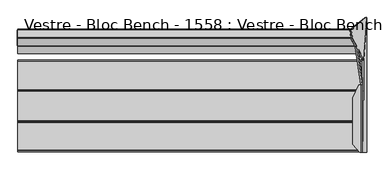
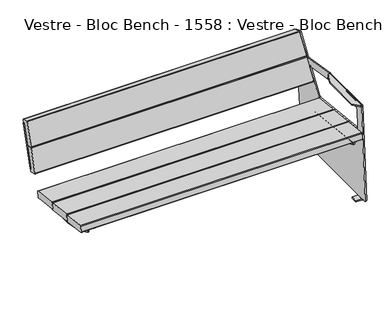
"""IFC4 building model written with IfcOpenShell, lengths in millimetres: furniture geometry, Vestre - Bloc Bench - 1558 : Vestre - Bloc Bench - 1558."""

from ifc_helpers import new_model, si_unit, point, frame, frame_2d, origin, place, context, project, spatial, polyline, circle_curve, ellipse_curve, trimmed, segment, composite_curve, outline, extrude, source, transform, mapped, element, save
from ifc_brep_helpers import plane_surface, cylinder_surface, revolved_surface, advanced_brep


def vestre_bloc_bench_1558_vestre_bloc_bench_1558_f0d6379f(model_context):
    return source(origin(), model_context, "Body", "SolidModel", [
        extrude(outline(composite_curve([segment(polyline([(0.0030441, 0.0), (264.0004656, 0.0), (264.0004655, -51.9653374)]), True, "CONTINUOUS"), segment(trimmed(circle_curve(frame_2d((256.0004655, -51.9653374)), 8.0), [point((264.0004655, -51.9653374))], [point((256.0004655, -59.9653374))], False, "CARTESIAN"), True, "CONTINUOUS"), segment(polyline([(256.0004655, -59.9653374), (6.750797, -59.9653374)]), True, "CONTINUOUS"), segment(trimmed(circle_curve(frame_2d((7.9053145, -52.0490827)), 8.0), [point((6.750797, -59.9653374))], [point((-0.0946714, -52.0340593))], False, "CARTESIAN"), True, "CONTINUOUS"), segment(polyline([(-0.0946714, -52.0340593), (0.0030441, 0.0)]), True, "CONTINUOUS")], self_intersect=False)), frame((-861.1553087, 204.7677117, 503.5739385), z_axis=(-0.0013631459484884229, -0.9642258427672697, 0.2650786033856215), x_axis=(0.0, 0.265078849666105, 0.9642267386147796)), (0.0, 0.0, 1.0), 8.5816086),
        advanced_brep(
        [(859.6028254, -318.9270883, 412.6183739), (817.6175866, -318.9270883, 412.6183739), (813.6175866, -319.360624, 408.6419375), (813.6175866, -319.8564605, 404.0940726), (813.6175866, -321.0984876, 392.7020678), (819.6131806, -321.0984876, 392.7020678), (819.6131806, -319.8223825, 404.4066392), (820.5642613, -319.7193007, 405.3521172), (859.6028254, -319.7193007, 405.3521172), (859.6028254, 98.7332944, 367.0824469), (859.6028254, 97.941082, 359.8161902), (820.5642613, 97.941082, 359.8161902), (819.6131806, 97.8380001, 358.8707122), (819.6131806, 96.5595156, 347.1443157), (813.6175866, 96.5595156, 347.1443157), (813.6175866, 97.8039221, 358.5581456), (813.6175866, 98.2997586, 363.1060105), (817.6175866, 98.7332944, 367.0824469)],
        [
            (0, 1),
            (1, 2, circle_curve(frame((817.6175866, -319.360624, 408.6419375), z_axis=(0.0, -0.9941091089617909, 0.10838394474826071), x_axis=(0.0, -0.10838394474826071, -0.9941091089617909)), 4.0)),
            (2, 3),
            (3, 4),
            (4, 5),
            (5, 6),
            (6, 7, circle_curve(frame((820.5642613, -319.8223825, 404.4066392), z_axis=(0.0, 0.9941091089617909, -0.10838394474826071), x_axis=(0.0, -0.10838394474826071, -0.9941091089617909)), 0.9510807)),
            (7, 8),
            (8, 0),
            (9, 10),
            (10, 11),
            (11, 12, circle_curve(frame((820.5642613, 97.8380001, 358.8707122), z_axis=(0.0, -0.9941091089617909, 0.10838394474826071), x_axis=(0.0, -0.10838394474826071, -0.9941091089617909)), 0.9510807)),
            (12, 13),
            (13, 14),
            (14, 15),
            (15, 16),
            (16, 17, circle_curve(frame((817.6175866, 98.2997586, 363.1060105), z_axis=(0.0, 0.9941091089617909, -0.10838394474826071), x_axis=(0.0, -0.10838394474826071, -0.9941091089617909)), 4.0)),
            (17, 9),
            (8, 10),
            (9, 0),
            (7, 11),
            (6, 12),
            (5, 13, circle_curve(frame((819.6131806, -59.7670647, 851.2475639), z_axis=(1.0, 0.0, 0.0), x_axis=(0.0, -1.0, 0.0)), 527.7860216)),
            (3, 15),
            (14, 4, circle_curve(frame((813.6175866, -59.7670647, 851.2475639), z_axis=(-1.0, 0.0, 0.0), x_axis=(0.0, -1.0, 0.0)), 527.7860216)),
            (2, 16),
            (1, 17),
        ],
        [
            plane_surface(frame((813.6175929, -318.9270883, 412.6183739), z_axis=(0.0, -0.9941091089617909, 0.10838394474826071), x_axis=(-1.0, 0.0, 0.0))),
            plane_surface(frame((813.6175929, 98.7332944, 367.0824469), z_axis=(0.0, 0.9941091089617909, -0.10838394474826071), x_axis=(1.0, 0.0, 0.0))),
            plane_surface(frame((859.6028254, -319.7193007, 405.3521172), z_axis=(1.0000000000000002, 0.0, 0.0), x_axis=(0.0, 0.994109108961791, -0.10838394474826066))),
            plane_surface(frame((820.5642613, -319.7193007, 405.3521172), z_axis=(0.0, -0.10838394474826066, -0.994109108961791), x_axis=(0.0, 0.994109108961791, -0.10838394474826066))),
            revolved_surface(polyline([(820.5642613, 97.73491824228601, 357.9252342105562), (820.5642613, -319.92546445485533, 403.46116123677587)]), (820.5642613, 97.8380001, 358.8707122), (0.0, 0.9941091089617909, -0.10838394474826071)),
            plane_surface(frame((819.6131806, -320.2027771, 400.9176199), z_axis=(1.0000000000000002, 0.0, 0.0), x_axis=(0.0, 0.994109108961791, -0.10838394474826066))),
            plane_surface(frame((813.6175866, -319.8564605, 404.0940726), z_axis=(-1.0000000000000002, 0.0, 0.0), x_axis=(0.0, 0.994109108961791, -0.10838394474826064))),
            plane_surface(frame((813.6175866, -319.360624, 408.6419375), z_axis=(-1.0000000000000002, 0.0, 0.0), x_axis=(0.0, 0.994109108961791, -0.10838394474826066))),
            cylinder_surface(frame((817.6175866, 98.2997586, 363.1060105), z_axis=(0.0, -0.9941091089617909, 0.10838394474826071), x_axis=(0.0, -0.10838394474826071, -0.9941091089617909)), 4.0),
            plane_surface(frame((859.6028254, -318.9270883, 412.6183739), z_axis=(0.0, 0.10838394474826066, 0.994109108961791), x_axis=(0.0, 0.994109108961791, -0.10838394474826066))),
            cylinder_surface(frame((819.6131806, -59.7670647, 851.2475639), z_axis=(-1.0, 0.0, 0.0), x_axis=(0.0, -1.0, 0.0)), 527.7860216),
        ],
        [
            (0, [[1, 2, 3, 4, 5, 6, 7, 8, 9]]),
            (1, [[10, 11, 12, 13, 14, 15, 16, 17, 18]]),
            (2, [[-9, 19, -10, 20]]),
            (3, [[-8, 21, -11, -19]]),
            (4, [[-7, 22, -12, -21]]),
            (5, [[-13, -22, -6, 23]]),
            (6, [[-4, 24, -15, 25]]),
            (7, [[-3, 26, -16, -24]]),
            (8, [[-2, 27, -17, -26]]),
            (9, [[-1, -20, -18, -27]]),
            (10, [[-25, -14, -23, -5]]),
        ],
    ),
        advanced_brep(
        [(766.5577736, -318.9102447, 412.772865), (766.5577736, -319.7193007, 405.3521172), (805.5963377, -319.7193007, 405.3521172), (806.5474184, -319.8223825, 404.4066392), (806.5474184, -321.0984876, 392.7020678), (812.5430123, -321.0984876, 392.7020678), (812.5430123, -319.8564605, 404.0940726), (812.5430123, -319.3437805, 408.7964286), (808.5430123, -318.9102447, 412.772865), (766.5577736, 98.750138, 367.236938), (808.5430123, 98.750138, 367.236938), (812.5430123, 98.3166022, 363.2605016), (812.5430123, 97.8039221, 358.5581456), (812.5430123, 96.5595156, 347.1443157), (806.5474184, 96.5595156, 347.1443157), (806.5474184, 97.8380001, 358.8707122), (805.5963377, 97.941082, 359.8161902), (766.5577736, 97.941082, 359.8161902)],
        [
            (0, 1),
            (1, 2),
            (2, 3, circle_curve(frame((805.5963377, -319.8223825, 404.4066392), z_axis=(0.0, 0.9941091089617909, -0.10838394474826071), x_axis=(0.0, -0.10838394474826071, -0.9941091089617909)), 0.9510807)),
            (3, 4),
            (4, 5),
            (5, 6),
            (6, 7),
            (7, 8, circle_curve(frame((808.5430123, -319.3437805, 408.7964286), z_axis=(0.0, -0.9941091089617909, 0.10838394474826071), x_axis=(0.0, -0.10838394474826071, -0.9941091089617909)), 4.0)),
            (8, 0),
            (9, 10),
            (10, 11, circle_curve(frame((808.5430123, 98.3166022, 363.2605016), z_axis=(0.0, 0.9941091089617909, -0.10838394474826071), x_axis=(0.0, -0.10838394474826071, -0.9941091089617909)), 4.0)),
            (11, 12),
            (12, 13),
            (13, 14),
            (14, 15),
            (15, 16, circle_curve(frame((805.5963377, 97.8380001, 358.8707122), z_axis=(0.0, -0.9941091089617909, 0.10838394474826071), x_axis=(0.0, -0.10838394474826071, -0.9941091089617909)), 0.9510807)),
            (16, 17),
            (17, 9),
            (0, 9),
            (17, 1),
            (16, 2),
            (15, 3),
            (14, 4, circle_curve(frame((806.5474184, -59.7670647, 851.2475639), z_axis=(-1.0, 0.0, 0.0), x_axis=(0.0, -1.0, 0.0)), 527.7860216)),
            (5, 13, circle_curve(frame((812.5430123, -59.7670647, 851.2475639), z_axis=(1.0, 0.0, 0.0), x_axis=(0.0, -1.0, 0.0)), 527.7860216)),
            (12, 6),
            (11, 7),
            (10, 8),
        ],
        [
            plane_surface(frame((766.5577736, -319.8423819, 404.223203), z_axis=(0.0, -0.9941091089617909, 0.10838394474826071), x_axis=(0.0, -0.10838394474826071, -0.9941091089617909))),
            plane_surface(frame((766.5577736, 97.8180007, 358.6872759), z_axis=(0.0, 0.9941091089617909, -0.10838394474826071), x_axis=(0.0, 0.10838394474826071, 0.9941091089617909))),
            plane_surface(frame((766.5577736, -318.9102447, 412.772865), z_axis=(-1.0000000000000002, 0.0, 0.0), x_axis=(0.0, 0.994109108961791, -0.10838394474826066))),
            plane_surface(frame((766.5577736, -319.7193007, 405.3521172), z_axis=(0.0, -0.10838394474826069, -0.994109108961791), x_axis=(0.0, 0.994109108961791, -0.10838394474826069))),
            revolved_surface(polyline([(805.5963377, 97.73491824228601, 357.9252342105562), (805.5963377, -319.92546445485533, 403.46116123677587)]), (805.5963377, 97.8380001, 358.8707122), (0.0, 0.9941091089617909, -0.10838394474826071)),
            plane_surface(frame((806.5474184, -319.8223825, 404.4066392), z_axis=(-1.0000000000000002, 0.0, 0.0), x_axis=(0.0, 0.994109108961791, -0.10838394474826064))),
            plane_surface(frame((812.5430123, -320.2027771, 400.9176199), z_axis=(1.0000000000000002, 0.0, 0.0), x_axis=(0.0, 0.994109108961791, -0.10838394474826066))),
            plane_surface(frame((812.5430123, -319.8564605, 404.0940726), z_axis=(1.0000000000000002, 0.0, 0.0), x_axis=(0.0, 0.994109108961791, -0.10838394474826066))),
            cylinder_surface(frame((808.5430123, 98.3166022, 363.2605016), z_axis=(0.0, -0.9941091089617909, 0.10838394474826071), x_axis=(0.0, -0.10838394474826071, -0.9941091089617909)), 4.0),
            plane_surface(frame((808.5430123, -318.9102447, 412.772865), z_axis=(0.0, 0.10838394474826066, 0.994109108961791), x_axis=(0.0, 0.994109108961791, -0.10838394474826066))),
            cylinder_surface(frame((806.5474184, -59.7670647, 851.2475639), z_axis=(1.0, 0.0, 0.0), x_axis=(0.0, -1.0, 0.0)), 527.7860216),
        ],
        [
            (0, [[1, 2, 3, 4, 5, 6, 7, 8, 9]]),
            (1, [[10, 11, 12, 13, 14, 15, 16, 17, 18]]),
            (2, [[-1, 19, -18, 20]]),
            (3, [[-2, -20, -17, 21]]),
            (4, [[-3, -21, -16, 22]]),
            (5, [[-4, -22, -15, 23]]),
            (6, [[-6, 24, -13, 25]]),
            (7, [[-7, -25, -12, 26]]),
            (8, [[-8, -26, -11, 27]]),
            (9, [[-9, -27, -10, -19]]),
            (10, [[-24, -5, -23, -14]]),
        ],
    ),
        advanced_brep(
        [(-766.5577736, -318.8898286, 412.9601231), (-808.5430123, -318.8898286, 412.9601231), (-812.5430123, -319.3233644, 408.9836866), (-812.5430123, -319.8564605, 404.0940726), (-812.5430123, -321.0984876, 392.7020678), (-806.5474184, -321.0984876, 392.7020678), (-806.5474184, -319.8223825, 404.4066392), (-805.5963377, -319.7193007, 405.3521172), (-766.5577736, -319.7193007, 405.3521172), (-766.5577736, 98.770554, 367.4241961), (-766.5577736, 97.941082, 359.8161902), (-805.5963377, 97.941082, 359.8161902), (-806.5474184, 97.8380001, 358.8707122), (-806.5474184, 96.5595156, 347.1443157), (-812.5430123, 96.5595156, 347.1443157), (-812.5430123, 97.8039221, 358.5581456), (-812.5430123, 98.3370182, 363.4477596), (-808.5430123, 98.770554, 367.4241961)],
        [
            (0, 1),
            (1, 2, circle_curve(frame((-808.5430123, -319.3233644, 408.9836866), z_axis=(0.0, -0.9941091089617909, 0.10838394474826071), x_axis=(0.0, -0.10838394474826071, -0.9941091089617909)), 4.0)),
            (2, 3),
            (3, 4),
            (4, 5),
            (5, 6),
            (6, 7, circle_curve(frame((-805.5963377, -319.8223825, 404.4066392), z_axis=(0.0, 0.9941091089617909, -0.10838394474826071), x_axis=(0.0, -0.10838394474826071, -0.9941091089617909)), 0.9510807)),
            (7, 8),
            (8, 0),
            (9, 10),
            (10, 11),
            (11, 12, circle_curve(frame((-805.5963377, 97.8380001, 358.8707122), z_axis=(0.0, -0.9941091089617909, 0.10838394474826071), x_axis=(0.0, -0.10838394474826071, -0.9941091089617909)), 0.9510807)),
            (12, 13),
            (13, 14),
            (14, 15),
            (15, 16),
            (16, 17, circle_curve(frame((-808.5430123, 98.3370182, 363.4477596), z_axis=(0.0, 0.9941091089617909, -0.10838394474826071), x_axis=(0.0, -0.10838394474826071, -0.9941091089617909)), 4.0)),
            (17, 9),
            (8, 10),
            (9, 0),
            (7, 11),
            (6, 12),
            (5, 13, circle_curve(frame((-806.5474184, -59.7670647, 851.2475639), z_axis=(1.0, 0.0, 0.0), x_axis=(0.0, -1.0, 0.0)), 527.7860216)),
            (3, 15),
            (14, 4, circle_curve(frame((-812.5430123, -59.7670647, 851.2475639), z_axis=(-1.0, 0.0, 0.0), x_axis=(0.0, -1.0, 0.0)), 527.7860216)),
            (2, 16),
            (1, 17),
        ],
        [
            plane_surface(frame((-812.5430123, -318.8898286, 412.9601231), z_axis=(0.0, -0.9941091089617909, 0.10838394474826071), x_axis=(-1.0, 0.0, 0.0))),
            plane_surface(frame((-812.5430123, 98.770554, 367.4241961), z_axis=(0.0, 0.9941091089617909, -0.10838394474826071), x_axis=(1.0, 0.0, 0.0))),
            plane_surface(frame((-766.5577736, -319.7193007, 405.3521172), z_axis=(1.0000000000000002, 0.0, 0.0), x_axis=(0.0, 0.994109108961791, -0.10838394474826069))),
            plane_surface(frame((-805.5963377, -319.7193007, 405.3521172), z_axis=(0.0, -0.10838394474826069, -0.994109108961791), x_axis=(0.0, 0.994109108961791, -0.10838394474826069))),
            revolved_surface(polyline([(-805.5963377, 97.73491824228601, 357.9252342105562), (-805.5963377, -319.92546445485533, 403.46116123677587)]), (-805.5963377, 97.8380001, 358.8707122), (0.0, 0.9941091089617909, -0.10838394474826071)),
            plane_surface(frame((-806.5474184, -320.2027771, 400.9176199), z_axis=(1.0000000000000002, 0.0, 0.0), x_axis=(0.0, 0.994109108961791, -0.10838394474826066))),
            plane_surface(frame((-812.5430123, -319.8564605, 404.0940726), z_axis=(-1.0000000000000002, 0.0, 0.0), x_axis=(0.0, 0.994109108961791, -0.10838394474826066))),
            plane_surface(frame((-812.5430123, -319.3233644, 408.9836866), z_axis=(-1.0000000000000002, 0.0, 0.0), x_axis=(0.0, 0.994109108961791, -0.10838394474826066))),
            cylinder_surface(frame((-808.5430123, 98.3370182, 363.4477596), z_axis=(0.0, -0.9941091089617909, 0.10838394474826071), x_axis=(0.0, -0.10838394474826071, -0.9941091089617909)), 4.0),
            plane_surface(frame((-766.5577736, -318.8898286, 412.9601231), z_axis=(0.0, 0.10838394474826066, 0.994109108961791), x_axis=(0.0, 0.994109108961791, -0.10838394474826066))),
            cylinder_surface(frame((-806.5474184, -59.7670647, 851.2475639), z_axis=(-1.0, 0.0, 0.0), x_axis=(0.0, -1.0, 0.0)), 527.7860216),
        ],
        [
            (0, [[1, 2, 3, 4, 5, 6, 7, 8, 9]]),
            (1, [[10, 11, 12, 13, 14, 15, 16, 17, 18]]),
            (2, [[-9, 19, -10, 20]]),
            (3, [[-8, 21, -11, -19]]),
            (4, [[-7, 22, -12, -21]]),
            (5, [[-13, -22, -6, 23]]),
            (6, [[-4, 24, -15, 25]]),
            (7, [[-3, 26, -16, -24]]),
            (8, [[-2, 27, -17, -26]]),
            (9, [[-1, -20, -18, -27]]),
            (10, [[-25, -14, -23, -5]]),
        ],
    ),
        advanced_brep(
        [(859.6494877, -336.3224978, 634.6042367), (853.6895812, -336.3224978, 640.3596516), (851.4436279, -336.3224978, 640.3596516), (846.5946295, -336.3224978, 640.3596516), (846.5946295, -336.3224978, 632.2382321), (850.2766357, -336.3224978, 632.2382321), (851.7778593, -336.3224978, 630.7885173), (873.3168867, -336.3224978, 13.9914716), (881.3120133, -336.3224978, 14.2706676), (851.7778593, 0.0, 630.7885173), (850.2766357, 0.0, 632.2382321), (842.6377771, 0.0, 632.2382321), (842.6377771, 0.0, 640.3596516), (851.4436279, 0.0, 640.3596516), (853.6895812, 0.0, 640.3596516), (859.6494877, 0.0, 634.6042367), (859.8164077, 0.0, 629.8242748), (851.8212811, 0.0, 629.5450788), (812.6404131, -298.6125202, 632.2382321), (812.6404131, -64.9029098, 632.2382321), (812.6404131, -298.6125202, 640.3596516), (812.6404131, -64.9029098, 640.3596516), (881.4516113, -332.3224978, 10.2731042), (881.4516113, -303.3438949, 10.2731042), (881.4516113, -263.3438949, 10.2731042), (881.4516113, 263.3438949, 10.2731042), (881.4516113, 303.3438949, 10.2731042), (881.4516113, 333.3438949, 10.2731042), (881.4138659, 336.0793859, 11.3539925), (867.5075955, 124.5938136, 409.5774734), (865.9556261, -281.1025506, 454.0200604), (865.8167736, -284.6669706, 457.9962761), (861.3419594, -284.6668873, 586.1381898), (861.2022765, -280.671368, 590.1381847), (861.1901816, 28.5190326, 590.4845362), (859.8164077, 7.626776, 629.8242748), (851.8212811, 7.626776, 629.5450788), (853.1853111, 28.3708474, 590.4843702), (853.1974001, -280.671368, 590.1381847), (853.337083, -284.6668873, 586.1381898), (857.8118973, -284.6669706, 457.9962761), (857.9507498, -281.1025506, 454.0200604), (859.5021169, 124.4363813, 409.5947195), (873.4187392, 336.0793859, 11.0747965), (873.4564847, 333.3438949, 9.9939083), (873.4564847, 303.3438949, 9.9939083), (873.4886988, 303.3438949, 9.0714168), (873.4886988, 263.3438949, 9.0714168), (873.4564847, 263.3438949, 9.9939083), (873.4564847, -263.3438949, 9.9939083), (873.4886988, -263.3438949, 9.0714168), (873.4886988, -303.3438949, 9.0714168), (873.4564847, -303.3438949, 9.9939083), (873.4564847, -332.3224978, 9.9939083), (872.4540437, -303.3438949, 8.0), (835.810356, -303.3438949, 8.0), (835.810356, -303.3438949, 0.0), (873.5140122, -303.3438949, 0.0), (881.4516113, -303.3438949, 8.2703475), (872.4540437, -263.3438949, 8.0), (881.4516113, -263.3438949, 8.2703475), (873.5140122, -263.3438949, 0.0), (835.810356, -263.3438949, 0.0), (835.810356, -263.3438949, 8.0), (872.4540437, 303.3438949, 8.0), (881.4516113, 303.3438949, 8.2703475), (873.5140122, 303.3438949, 0.0), (835.810356, 303.3438949, 0.0), (835.810356, 303.3438949, 8.0), (872.4540437, 263.3438949, 8.0), (835.810356, 263.3438949, 8.0), (835.810356, 263.3438949, 0.0), (873.5140122, 263.3438949, 0.0), (881.4516113, 263.3438949, 8.2703475)],
        [
            (0, 1, circle_curve(frame((853.6895812, -336.3224978, 634.3961122), z_axis=(0.0, -1.0, 0.0), x_axis=(-1.0, 0.0, 0.0)), 5.9635394)),
            (1, 2),
            (2, 3),
            (3, 4),
            (4, 5),
            (5, 6, circle_curve(frame((850.2766357, -336.3224978, 630.7360934), z_axis=(0.0, 1.0, 0.0), x_axis=(-1.0, 0.0, 0.0)), 1.5021387)),
            (6, 7),
            (7, 8),
            (8, 0),
            (9, 10, circle_curve(frame((850.2766357, 0.0, 630.7360934), z_axis=(0.0, -1.0, 0.0), x_axis=(-1.0, 0.0, 0.0)), 1.5021387)),
            (10, 11),
            (11, 12),
            (12, 13),
            (13, 14),
            (14, 15, circle_curve(frame((853.6895812, 0.0, 634.3961122), z_axis=(0.0, 1.0, 0.0), x_axis=(-1.0, 0.0, 0.0)), 5.9635394)),
            (15, 16),
            (16, 17),
            (17, 9),
            (10, 5),
            (4, 18),
            (18, 19),
            (19, 11),
            (18, 20),
            (20, 21),
            (21, 19),
            (2, 13),
            (12, 21),
            (20, 3),
            (1, 14),
            (15, 0),
            (8, 22, circle_curve(frame((881.3120133, -332.3224978, 14.2706676), z_axis=(0.9993908270190959, 0.0, 0.0348994967025008), x_axis=(0.0348994967025008, 0.0, -0.9993908270190959)), 4.0)),
            (22, 23),
            (23, 24),
            (24, 25),
            (25, 26),
            (26, 27),
            (27, 28, circle_curve(frame((881.3120088, 333.3438949, 14.2707962), z_axis=(0.9993908270190959, 0.0, 0.0348994967025008), x_axis=(0.0348994967025008, 0.0, -0.9993908270190959)), 4.0001287)),
            (28, 29),
            (29, 30),
            (30, 31, ellipse_curve(frame((865.8167737, -280.6669706, 457.9962735), z_axis=(-0.9993908270190961, 0.0, -0.03489949670249125), x_axis=(-0.03489949670248915, 0.0, 0.9993908270190963)), 4.0024382, 4.0)),
            (31, 32),
            (32, 33, ellipse_curve(frame((861.3419595, -280.6668873, 586.1381872), z_axis=(-0.9993908270190961, 0.0, -0.03489949670249125), x_axis=(-0.03489949670248915, 0.0, 0.9993908270190963)), 4.0024382, 4.0)),
            (33, 34),
            (34, 35),
            (35, 16),
            (6, 9),
            (17, 36),
            (36, 37),
            (37, 38),
            (38, 39, ellipse_curve(frame((853.3370831, -280.6668873, 586.1381872), z_axis=(0.9993908270190955, 0.0, 0.03489949670250719), x_axis=(-0.03489949670250501, 0.0, 0.9993908270190955)), 4.0024382, 4.0)),
            (39, 40),
            (40, 41, ellipse_curve(frame((857.8118974, -280.6669706, 457.9962735), z_axis=(0.9993908270190955, 0.0, 0.03489949670250719), x_axis=(-0.03489949670250501, 0.0, 0.9993908270190955)), 4.0024382, 4.0)),
            (41, 42),
            (42, 43),
            (43, 44, circle_curve(frame((873.3168822, 333.3438949, 13.9916002), z_axis=(-0.9993908270190959, 0.0, -0.0348994967025008), x_axis=(0.0348994967025008, 0.0, -0.9993908270190959)), 4.0001287)),
            (44, 45),
            (45, 46),
            (46, 47),
            (47, 48),
            (48, 49),
            (49, 50),
            (50, 51),
            (51, 52),
            (52, 53),
            (53, 7, circle_curve(frame((873.3168867, -332.3224978, 13.9914716), z_axis=(-0.9993908270190959, 0.0, -0.0348994967025008), x_axis=(0.0348994967025008, 0.0, -0.9993908270190959)), 4.0)),
            (28, 43),
            (42, 29),
            (36, 35),
            (34, 37),
            (27, 44),
            (26, 45),
            (22, 53),
            (52, 23),
            (24, 49),
            (48, 25),
            (54, 55),
            (55, 56),
            (56, 57),
            (57, 58, circle_curve(frame((873.1742893, -303.3438949, 8.2703475), z_axis=(0.0, -1.0, 0.0), x_axis=(-1.0, 0.0, 0.0)), 8.277322)),
            (58, 23),
            (51, 54, circle_curve(frame((872.4540437, -303.3438949, 9.0352858), z_axis=(0.0, 1.0, 0.0), x_axis=(-1.0, 0.0, 0.0)), 1.0352858)),
            (59, 50, circle_curve(frame((872.4540437, -263.3438949, 9.0352858), z_axis=(0.0, -1.0, 0.0), x_axis=(-1.0, 0.0, 0.0)), 1.0352858)),
            (24, 60),
            (60, 61, circle_curve(frame((873.1742893, -263.3438949, 8.2703475), z_axis=(0.0, 1.0, 0.0), x_axis=(-1.0, 0.0, 0.0)), 8.277322)),
            (61, 62),
            (62, 63),
            (63, 59),
            (59, 54),
            (56, 62),
            (61, 57),
            (55, 63),
            (58, 60),
            (64, 46, circle_curve(frame((872.4540437, 303.3438949, 9.0352858), z_axis=(0.0, -1.0, 0.0), x_axis=(-1.0, 0.0, 0.0)), 1.0352858)),
            (26, 65),
            (65, 66, circle_curve(frame((873.1742893, 303.3438949, 8.2703475), z_axis=(0.0, 1.0, 0.0), x_axis=(-1.0, 0.0, 0.0)), 8.277322)),
            (66, 67),
            (67, 68),
            (68, 64),
            (69, 70),
            (70, 71),
            (71, 72),
            (72, 73, circle_curve(frame((873.1742893, 263.3438949, 8.2703475), z_axis=(0.0, -1.0, 0.0), x_axis=(-1.0, 0.0, 0.0)), 8.277322)),
            (73, 25),
            (47, 69, circle_curve(frame((872.4540437, 263.3438949, 9.0352858), z_axis=(0.0, 1.0, 0.0), x_axis=(-1.0, 0.0, 0.0)), 1.0352858)),
            (64, 69),
            (66, 72),
            (71, 67),
            (70, 68),
            (73, 65),
            (33, 38),
            (32, 39),
            (31, 40),
            (30, 41),
        ],
        [
            plane_surface(frame((847.7260418, -336.3224978, 634.3961122), z_axis=(0.0, -1.0, 0.0), x_axis=(0.0, 0.0, -1.0))),
            plane_surface(frame((847.7260418, 0.0, 634.3961122), z_axis=(0.0, 1.0, 0.0), x_axis=(0.0, 0.0, 1.0))),
            plane_surface(frame((812.6404131, -336.3224978, 632.2382321), z_axis=(0.0, 0.0, -1.0), x_axis=(0.0, 1.0, 0.0))),
            plane_surface(frame((812.6404131, -336.3224978, 640.3596516), z_axis=(-1.0, 0.0, 0.0), x_axis=(0.0, 1.0, 0.0))),
            plane_surface(frame((851.4436279, -336.3224978, 640.3596516), z_axis=(0.0, 0.0, 1.0), x_axis=(0.0, 1.0, 0.0))),
            plane_surface(frame((853.6895812, -336.3224978, 640.3596516), z_axis=(0.0, 0.0, 1.0), x_axis=(0.0, 1.0, 0.0))),
            plane_surface(frame((859.8862566, -336.3224978, 627.8240627), z_axis=(0.9993908270190961, 0.0, 0.03489949670249125), x_axis=(0.0, 1.0, 0.0))),
            cylinder_surface(frame((853.6895812, 0.0, 634.3961122), z_axis=(0.0, -1.0, 0.0), x_axis=(-1.0, 0.0, 0.0)), 5.9635394),
            plane_surface(frame((851.7778593, -336.3224978, 630.7885173), z_axis=(-0.9993908270190955, 0.0, -0.03489949670250719), x_axis=(0.0, 1.0, 0.0))),
            revolved_surface(polyline([(848.774497, 0.0, 630.7360934), (848.774497, -336.3224978, 630.7360934)]), (850.2766357, 0.0, 630.7360934), (0.0, 1.0, 0.0)),
            plane_surface(frame((842.6377771, 0.0, 616.5713791), z_axis=(-0.9077348201474655, 0.419544391324504, 0.0), x_axis=(0.0, 0.0, 1.0))),
            plane_surface(frame((812.6352383, -298.6067729, 616.5713791), z_axis=(-0.7431448254773961, -0.6691306063588561, 0.0), x_axis=(0.0, 0.0, 1.0))),
            plane_surface(frame((881.4138659, 336.0793859, 11.3539925), z_axis=(-0.01636123681982898, 0.8832989769010681, 0.46852452159439023), x_axis=(-0.9993908270190958, 0.0, -0.034899496702500754))),
            cylinder_surface(frame((873.3168822, 333.3438949, 13.9916002), z_axis=(0.9993908270190959, 0.0, 0.0348994967025008), x_axis=(0.0348994967025008, 0.0, -0.9993908270190959)), 4.0001287),
            plane_surface(frame((881.4516113, -332.3224978, 10.2731042), z_axis=(0.034899496702500754, 0.0, -0.9993908270190958), x_axis=(-0.9993908270190958, 0.0, -0.034899496702500754))),
            cylinder_surface(frame((873.3168867, -332.3224978, 13.9914716), z_axis=(0.9993908270190959, 0.0, 0.0348994967025008), x_axis=(0.0348994967025008, 0.0, -0.9993908270190959)), 4.0),
            plane_surface(frame((859.8164077, 7.626776, 629.8242748), z_axis=(-0.034899496702506035, 0.0, 0.9993908270190955), x_axis=(-0.9993908270190955, 0.0, -0.034899496702506035))),
            plane_surface(frame((835.810356, -303.3438949, 8.0), z_axis=(0.0, -1.0, 0.0), x_axis=(-1.0, 0.0, 0.0))),
            plane_surface(frame((835.810356, -263.3438949, 8.0), z_axis=(0.0, 1.0, 0.0), x_axis=(1.0, 0.0, 0.0))),
            revolved_surface(polyline([(871.4187579000001, -263.3438949, 9.0352858), (871.4187579000001, -303.3438949, 9.0352858)]), (872.4540437, -263.3438949, 9.0352858), (0.0, 1.0, 0.0)),
            plane_surface(frame((835.810356, -303.3438949, 0.0), z_axis=(0.0, 0.0, -1.0), x_axis=(0.0, 1.0, 0.0))),
            plane_surface(frame((835.810356, -303.3438949, 8.0), z_axis=(-1.0, 0.0, 0.0), x_axis=(0.0, 1.0, 0.0))),
            plane_surface(frame((872.4540437, -303.3438949, 8.0), z_axis=(0.0, 0.0, 1.0), x_axis=(0.0, 1.0, 0.0))),
            plane_surface(frame((881.4516113, -303.3438949, 8.2703475), z_axis=(1.0, 0.0, 0.0), x_axis=(0.0, 1.0, 0.0))),
            cylinder_surface(frame((873.1742893, -263.3438949, 8.2703475), z_axis=(0.0, -1.0, 0.0), x_axis=(-1.0, 0.0, 0.0)), 8.277322),
            plane_surface(frame((871.4187578, 303.3438949, 9.0352858), z_axis=(0.0, 1.0, 0.0), x_axis=(0.0, 0.0, -1.0))),
            plane_surface(frame((871.4187578, 263.3438949, 9.0352858), z_axis=(0.0, -1.0, 0.0), x_axis=(0.0, 0.0, 1.0))),
            revolved_surface(polyline([(871.4187579000001, 263.3438949, 9.0352858), (871.4187579000001, 303.3438949, 9.0352858)]), (872.4540437, 263.3438949, 9.0352858), (0.0, -1.0, 0.0)),
            plane_surface(frame((873.5140122, 303.3438949, 0.0), z_axis=(0.0, 0.0, -1.0), x_axis=(0.0, -1.0, 0.0))),
            plane_surface(frame((835.810356, 303.3438949, 0.0), z_axis=(-1.0, 0.0, 0.0), x_axis=(0.0, -1.0, 0.0))),
            plane_surface(frame((835.810356, 303.3438949, 8.0), z_axis=(0.0, 0.0, 1.0), x_axis=(0.0, -1.0, 0.0))),
            plane_surface(frame((881.4516113, 303.3438949, 10.2731042), z_axis=(1.0, 0.0, 0.0), x_axis=(0.0, -1.0, 0.0))),
            cylinder_surface(frame((873.1742893, 263.3438949, 8.2703475), z_axis=(0.0, 1.0, 0.0), x_axis=(-1.0, 0.0, 0.0)), 8.277322),
            plane_surface(frame((812.6404131, -280.671368, 590.1381847), z_axis=(0.0, 0.0011201877232388624, -0.9999993725895355), x_axis=(1.0, 0.0, 0.0))),
            revolved_surface(polyline([(853.1974000212371, -284.6668873, 586.1381872), (861.4816425787628, -284.6668873, 586.1381872)]), (919.9232064, -280.6668873, 586.1381872), (-1.0, 0.0, 0.0)),
            plane_surface(frame((812.6404131, -284.6669706, 457.9962761), z_axis=(0.0, 0.9999999999997885, -6.504329964730784e-07), x_axis=(1.0, 0.0, 0.0))),
            revolved_surface(polyline([(857.6722143212371, -284.6669706, 457.9962735), (865.9564567787628, -284.6669706, 457.9962735)]), (919.9232064, -280.6669706, 457.9962735), (-1.0, 0.0, 0.0)),
            plane_surface(frame((812.6404131, 124.8590494, 409.5484177), z_axis=(0.0, 0.10889498268372896, 0.994053259511939), x_axis=(1.0, 0.0, 0.0))),
        ],
        [
            (0, [[1, 2, 3, 4, 5, 6, 7, 8, 9]]),
            (1, [[10, 11, 12, 13, 14, 15, 16, 17, 18]]),
            (2, [[19, -5, 20, 21, 22, -11]]),
            (3, [[-21, 23, 24, 25]]),
            (4, [[26, -13, 27, -24, 28, -3]]),
            (5, [[-2, 29, -14, -26]]),
            (6, [[30, -9, 31, 32, 33, 34, 35, 36, 37, 38, 39, 40, 41, 42, 43, 44, 45, -16]]),
            (7, [[-1, -30, -15, -29]]),
            (8, [[46, -18, 47, 48, 49, 50, 51, 52, 53, 54, 55, 56, 57, 58, 59, 60, 61, 62, 63, 64, 65, -7]]),
            (9, [[-6, -19, -10, -46]]),
            (10, [[-12, -22, -25, -27]]),
            (11, [[-4, -28, -23, -20]]),
            (12, [[66, -54, 67, -38]]),
            (12, [[68, -44, 69, -48]]),
            (13, [[-37, 70, -55, -66]]),
            (14, [[-70, -36, 71, -56]]),
            (14, [[72, -64, 73, -32]]),
            (14, [[74, -60, 75, -34]]),
            (15, [[-31, -8, -65, -72]]),
            (16, [[-68, -47, -17, -45]]),
            (17, [[76, 77, 78, 79, 80, -73, -63, 81]]),
            (18, [[82, -61, -74, 83, 84, 85, 86, 87]]),
            (19, [[-81, -62, -82, 88]]),
            (20, [[-78, 89, -85, 90]]),
            (21, [[-77, 91, -86, -89]]),
            (22, [[-76, -88, -87, -91]]),
            (23, [[-80, 92, -83, -33]]),
            (24, [[-79, -90, -84, -92]]),
            (25, [[93, -57, -71, 94, 95, 96, 97, 98]]),
            (26, [[99, 100, 101, 102, 103, -75, -59, 104]]),
            (27, [[-93, 105, -104, -58]]),
            (28, [[-96, 106, -101, 107]]),
            (29, [[-97, -107, -100, 108]]),
            (30, [[-98, -108, -99, -105]]),
            (31, [[-94, -35, -103, 109]]),
            (32, [[-95, -109, -102, -106]]),
            (33, [[110, -49, -69, -43]]),
            (34, [[-110, -42, 111, -50]]),
            (35, [[-111, -41, 112, -51]]),
            (36, [[-112, -40, 113, -52]]),
            (37, [[-113, -39, -67, -53]]),
        ],
    ),
        advanced_brep(
        [(880.8633489, 337.9713039, 14.8944279), (806.2060941, 277.1577, 774.9426086), (806.2223905, 274.267721, 778.499374), (810.120629, 238.2446052, 789.0752934), (811.1014693, 233.3654515, 786.3705641), (832.2804167, 194.0587936, 643.2798026), (833.1217155, 190.2995977, 640.4138721), (859.5577941, 1.98384, 640.3594265), (861.2994828, 28.470929, 590.4844823), (840.7791117, 174.5518534, 590.6481205), (840.7909312, 178.4134646, 585.5886209), (866.2037222, 131.2504543, 413.8911008), (867.5760922, 124.8590494, 409.5484177), (867.61676, 124.5422214, 409.5831251), (881.5280215, 336.1005897, 11.2206695), (872.9871313, 336.8658767, 14.0323223), (873.6518039, 334.9951625, 10.3585639), (859.704087, 122.8823921, 409.7649535), (859.4503645, 124.8590494, 409.5484177), (858.0779945, 131.2504543, 413.8911008), (832.6652035, 178.4134646, 585.5886209), (832.653384, 174.5518534, 590.6481205), (853.3932206, 26.9085927, 590.4827322), (851.6815764, 0.8784127, 639.4973209), (825.2454978, 189.1941704, 639.5517666), (824.4041991, 192.9533663, 642.417697), (803.2252516, 232.2600242, 785.5084585), (802.2444113, 237.139178, 788.2131877), (798.3461729, 273.1622937, 777.6372684), (798.3298764, 276.0522727, 774.080503), (837.8982285, 205.1850931, 503.4518959), (800.2290396, 275.0977695, 757.9536062), (801.1905091, 266.3758239, 760.3532344), (838.8596981, 196.4631475, 505.8515241), (791.2328587, 205.1005271, 503.3842593), (783.301588, 206.9046912, 509.9877088), (747.1427984, 272.5788357, 749.0639533), (755.0440225, 275.0158862, 757.8881152), (755.0563553, 266.2922205, 760.2863677), (747.1551312, 263.8551701, 751.4622058), (783.3139208, 198.1810256, 512.3859614), (791.2451915, 196.3768615, 505.7825119)],
        [
            (0, 1),
            (1, 2, circle_curve(frame((806.788641, 273.2088149, 774.683869), z_axis=(0.9845272064646956, 0.13817840671662618, 0.10776320173453148), x_axis=(0.10809843818608313, 0.005098251508800457, -0.9941271224009949)), 4.0)),
            (2, 3),
            (3, 4, circle_curve(frame((810.6868794, 237.1856992, 785.2597883), z_axis=(0.9845272064646956, 0.13817840671662618, 0.10776320173453148), x_axis=(0.10809843818608313, 0.005098251508800457, -0.9941271224009949)), 4.0)),
            (4, 5),
            (5, 6, circle_curve(frame((832.6950066, 190.2385459, 644.3905783), z_axis=(-0.9845272064646956, -0.13817840671662618, -0.10776320173453148), x_axis=(0.10809843818608313, 0.005098251508800457, -0.9941271224009949)), 4.0)),
            (6, 7),
            (7, 8),
            (8, 9),
            (9, 10, ellipse_curve(frame((841.2163098, 174.5563342, 586.648123), z_axis=(-0.9845272064646957, -0.13817840671662626, -0.10776320173453156), x_axis=(-0.17523178858535396, 0.7763454442639398, 0.6054598016712618)), 4.0628639, 4.0)),
            (10, 11),
            (11, 12, ellipse_curve(frame((866.8370673, 125.5075832, 415.4685906), z_axis=(-0.9845272064646957, -0.13817840671662626, -0.10776320173453156), x_axis=(-0.17523178858535396, 0.7763454442639398, 0.6054598016712618)), 6.049187, 5.9555892)),
            (12, 13),
            (13, 14),
            (14, 0, circle_curve(frame((881.4454916, 334.025159, 14.6358678), z_axis=(0.9845272064646956, 0.13817840671662618, 0.10776320173453148), x_axis=(0.10809843818608313, 0.005098251508800457, -0.9941271224009949)), 3.9972244)),
            (15, 16, circle_curve(frame((873.5692739, 332.9197317, 13.7737622), z_axis=(-0.9845272064646956, -0.13817840671662618, -0.10776320173453148), x_axis=(0.10809843818608313, 0.005098251508800457, -0.9941271224009949)), 3.9972244)),
            (16, 17),
            (17, 18),
            (18, 19, ellipse_curve(frame((858.7113396, 125.5075832, 415.4685906), z_axis=(0.9845272064646957, 0.13817840671662626, 0.10776320173453156), x_axis=(-0.17523178858535396, 0.7763454442639398, 0.6054598016712618)), 6.049187, 5.9555892)),
            (19, 20),
            (20, 21, ellipse_curve(frame((833.0905821, 174.5563342, 586.648123), z_axis=(0.9845272064646957, 0.13817840671662626, 0.10776320173453156), x_axis=(-0.17523178858535396, 0.7763454442639398, 0.6054598016712618)), 4.0628639, 4.0)),
            (21, 22),
            (22, 23),
            (23, 24),
            (24, 25, circle_curve(frame((824.8187889, 189.1331186, 643.5284727), z_axis=(0.9845272064646956, 0.13817840671662618, 0.10776320173453148), x_axis=(0.10809843818608313, 0.005098251508800457, -0.9941271224009949)), 4.0)),
            (25, 26),
            (26, 27, circle_curve(frame((802.8106618, 236.0802719, 784.3976827), z_axis=(-0.9845272064646956, -0.13817840671662618, -0.10776320173453148), x_axis=(0.10809843818608313, 0.005098251508800457, -0.9941271224009949)), 4.0)),
            (27, 28),
            (28, 29, circle_curve(frame((798.9124233, 272.1033877, 773.8217633), z_axis=(-0.9845272064646956, -0.13817840671662618, -0.10776320173453148), x_axis=(0.10809843818608313, 0.005098251508800457, -0.9941271224009949)), 4.0)),
            (29, 15),
            (30, 31),
            (31, 32),
            (32, 33),
            (33, 30),
            (1, 29),
            (28, 2),
            (0, 15),
            (14, 16),
            (13, 17),
            (7, 23),
            (22, 8),
            (6, 24),
            (5, 25),
            (4, 26),
            (3, 27),
            (9, 21),
            (20, 10),
            (12, 18),
            (11, 19),
            (34, 35, circle_curve(frame((791.2178354, 207.2211344, 511.098065), z_axis=(-0.0013631459484884437, 0.9642258427672697, -0.2650786033856214), x_axis=(-0.1443145567522505, 0.26211427827888556, 0.9541852093968657)), 8.0)),
            (35, 36),
            (36, 37, circle_curve(frame((755.0590458, 272.8952788, 750.1743095), z_axis=(-0.0013631459484884437, 0.9642258427672697, -0.2650786033856214), x_axis=(-0.1443145567522505, 0.26211427827888556, 0.9541852093968657)), 8.0)),
            (37, 31),
            (30, 34),
            (38, 39, circle_curve(frame((755.0713786, 264.1716132, 752.572562), z_axis=(0.0013631459484884437, -0.9642258427672697, 0.2650786033856214), x_axis=(-0.1443145567522505, 0.26211427827888556, 0.9541852093968657)), 8.0)),
            (39, 40),
            (40, 41, circle_curve(frame((791.2301682, 198.4974688, 513.4963176), z_axis=(0.0013631459484884437, -0.9642258427672697, 0.2650786033856214), x_axis=(-0.1443145567522505, 0.26211427827888556, 0.9541852093968657)), 8.0)),
            (41, 33),
            (32, 38),
            (36, 39),
            (38, 37),
            (35, 40),
            (34, 41),
        ],
        [
            plane_surface(frame((806.2060941, 277.1577, 774.9426086), z_axis=(0.9845272064646955, 0.13817840671662623, 0.10776320173453154), x_axis=(-0.09744806620720971, -0.07937832858943744, 0.992070035502949))),
            plane_surface(frame((798.3298764, 276.0522727, 774.080503), z_axis=(-0.9845272064646955, -0.13817840671662623, -0.10776320173453154), x_axis=(0.09744806620720971, 0.07937832858943744, -0.992070035502949))),
            cylinder_surface(frame((798.9124233, 272.1033877, 773.8217633), z_axis=(0.9845272064646956, 0.13817840671662618, 0.10776320173453148), x_axis=(0.10809843818608313, 0.005098251508800457, -0.9941271224009949)), 4.0),
            plane_surface(frame((880.8633489, 337.9713039, 14.8944279), z_axis=(-0.14563671969424266, 0.9872212562883766, 0.06468490557386646), x_axis=(-0.9845272064646944, -0.13817840671663073, -0.10776320173453648))),
            cylinder_surface(frame((873.5692739, 332.9197317, 13.7737622), z_axis=(0.9845272064646956, 0.13817840671662618, 0.10776320173453148), x_axis=(0.10809843818608313, 0.005098251508800457, -0.9941271224009949)), 3.9972244),
            plane_surface(frame((859.5577941, 1.98384, 640.3594265), z_axis=(0.17249891043919804, -0.8724250405319158, -0.4572949535586141), x_axis=(-0.9845272064646956, -0.13817840671662243, -0.10776320173453661))),
            plane_surface(frame((833.1217155, 190.2995977, 640.4138722), z_axis=(-0.10667723092490314, -0.015262962519211882, 0.9941765488972931), x_axis=(-0.9845272064646949, -0.13817840671662657, -0.10776320173453655))),
            revolved_surface(polyline([(825.2511826331016, 189.15351160327833, 639.551964208246), (833.1274003560839, 190.25893886701334, 640.4140698299226)]), (824.8187889, 189.1331186, 643.5284727), (-0.9845272064646956, -0.13817840671662618, -0.10776320173453148)),
            plane_surface(frame((811.1014693, 233.3654515, 786.3705641), z_axis=(0.10364746347884374, -0.955061925655032, 0.2776939348968645), x_axis=(-0.9845272064646949, -0.13817840671662657, -0.10776320173453655))),
            cylinder_surface(frame((802.8106618, 236.0802719, 784.3976827), z_axis=(0.9845272064646956, 0.13817840671662618, 0.10776320173453148), x_axis=(0.10809843818608313, 0.005098251508800457, -0.9941271224009949)), 4.0),
            plane_surface(frame((806.2223905, 274.267721, 778.499374), z_axis=(-0.14156261468824796, 0.26472650457534297, 0.9538762518785902), x_axis=(-0.9845272064646949, -0.13817840671662657, -0.10776320173453655))),
            revolved_surface(polyline([(832.3786391920241, 170.5563342, 586.648123), (841.9282527079758, 170.5563342, 586.648123)]), (919.9232064, 174.5563342, 586.648123), (-1.0, 0.0, 0.0)),
            plane_surface(frame((812.6404131, -280.671368, 590.1381847), z_axis=(0.0, 0.0011201877232388624, -0.9999993725895355), x_axis=(1.0, 0.0, 0.0))),
            plane_surface(frame((812.6404131, 124.8590494, 409.5484177), z_axis=(0.0, 0.10889498268372896, 0.994053259511939), x_axis=(1.0, 0.0, 0.0))),
            revolved_surface(polyline([(857.6513297425028, 119.551994, 415.4685906), (867.8970771574972, 119.551994, 415.4685906)]), (919.9232064, 125.5075832, 415.4685906), (-1.0, 0.0, 0.0)),
            plane_surface(frame((812.6404131, 178.4134646, 585.5886209), z_axis=(0.0, -0.9642826121585462, 0.2648755252730816), x_axis=(1.0, 0.0, 0.0))),
            plane_surface(frame((804.0386477, 275.1046732, 757.9591278), z_axis=(-0.0013631459484884298, 0.9642258427672699, -0.26507860338562156), x_axis=(0.9999973076401405, 0.0018121741131798064, 0.0014493920980635183))),
            plane_surface(frame((804.0509805, 266.3810076, 760.3573804), z_axis=(0.0013631459484884298, -0.9642258427672699, 0.26507860338562156), x_axis=(-0.9999973076401405, -0.0018121741131798064, -0.0014493920980635183))),
            cylinder_surface(frame((755.0713786, 264.1716132, 752.572562), z_axis=(-0.0013631459484884437, 0.9642258427672697, -0.2650786033856214), x_axis=(-0.1443145567522505, 0.26211427827888556, 0.9541852093968657)), 8.0),
            plane_surface(frame((783.301588, 206.9046912, 509.9877088), z_axis=(-0.9895309245003534, -0.039555394854398324, -0.13879452509154833), x_axis=(0.001363145948487987, -0.9642258427672699, 0.2650786033856207))),
            cylinder_surface(frame((791.2301682, 198.4974688, 513.4963176), z_axis=(-0.0013631459484884437, 0.9642258427672697, -0.2650786033856214), x_axis=(-0.1443145567522505, 0.26211427827888556, 0.9541852093968657)), 8.0),
            plane_surface(frame((841.6458762, 205.1918845, 503.4573277), z_axis=(0.0018779099002757256, -0.26507591396566216, -0.9642257169821158), x_axis=(0.001363145948487982, -0.9642258427672702, 0.2650786033856198))),
            plane_surface(frame((755.0440225, 275.0158862, 757.8881152), z_axis=(-0.0018779099002687964, 0.2650759139656631, 0.9642257169821156), x_axis=(0.001363145948487987, -0.9642258427672699, 0.2650786033856207))),
        ],
        [
            (0, [[1, 2, 3, 4, 5, 6, 7, 8, 9, 10, 11, 12, 13, 14, 15]]),
            (1, [[16, 17, 18, 19, 20, 21, 22, 23, 24, 25, 26, 27, 28, 29, 30], [31, 32, 33, 34]]),
            (2, [[-2, 35, -29, 36]]),
            (3, [[-1, 37, -30, -35]]),
            (4, [[-15, 38, -16, -37]]),
            (5, [[-38, -14, 39, -17]]),
            (5, [[40, -23, 41, -8]]),
            (6, [[-7, 42, -24, -40]]),
            (7, [[-6, 43, -25, -42]]),
            (8, [[-5, 44, -26, -43]]),
            (9, [[-4, 45, -27, -44]]),
            (10, [[-3, -36, -28, -45]]),
            (11, [[46, -21, 47, -10]]),
            (12, [[-46, -9, -41, -22]]),
            (13, [[48, -18, -39, -13]]),
            (14, [[-48, -12, 49, -19]]),
            (15, [[-49, -11, -47, -20]]),
            (16, [[50, 51, 52, 53, -31, 54]]),
            (17, [[55, 56, 57, 58, -33, 59]]),
            (18, [[-52, 60, -55, 61]]),
            (19, [[-51, 62, -56, -60]]),
            (20, [[-50, 63, -57, -62]]),
            (21, [[-63, -54, -34, -58]]),
            (22, [[-61, -59, -32, -53]]),
        ],
    ),
        advanced_brep(
        [(-859.6028254, 195.1325032, 486.5435624), (-859.6028254, 159.4543876, 496.3447884), (-859.6028254, 156.6568701, 501.2614604), (-859.6028254, 194.8593048, 640.3287069), (-859.6028254, 199.7760127, 643.1262446), (-859.6028254, 235.45412, 633.3250189), (-859.6028254, 238.2516373, 628.4083471), (-859.6028254, 200.049211, 489.3411004), (840.1635722, 200.049211, 489.3411004), (841.1598418, 195.1325032, 486.5435624), (819.5800048, 238.2516373, 628.4083471), (819.4344732, 235.45412, 633.3250189), (823.3690852, 199.7760127, 643.1262446), (824.3653547, 194.8593048, 640.3287069), (844.9489233, 156.6568701, 501.2614604), (845.0944549, 159.4543876, 496.3447884)],
        [
            (0, 1),
            (1, 2, circle_curve(frame((-859.6028254, 160.5139827, 500.2018933), z_axis=(-1.0, 0.0, 0.0), x_axis=(0.0, -1.0, 0.0)), 4.0)),
            (2, 3),
            (3, 4, circle_curve(frame((-859.6028254, 198.7164174, 639.2691397), z_axis=(-1.0, 0.0, 0.0), x_axis=(0.0, -1.0, 0.0)), 4.0)),
            (4, 5),
            (5, 6, circle_curve(frame((-859.6028254, 234.3945247, 629.4679141), z_axis=(-1.0, 0.0, 0.0), x_axis=(0.0, -1.0, 0.0)), 4.0)),
            (6, 7),
            (7, 0, circle_curve(frame((-859.6028254, 196.1920983, 490.4006673), z_axis=(-1.0, 0.0, 0.0), x_axis=(0.0, -1.0, 0.0)), 4.0)),
            (7, 8),
            (8, 9, ellipse_curve(frame((840.5889412, 196.1920983, 490.4006673), z_axis=(-0.9845272064646966, -0.13817840671662351, -0.10776320173452662), x_axis=(0.17523178858534905, -0.7763454442639481, -0.6054598016712525)), 4.0628639, 4.0)),
            (9, 0),
            (6, 10),
            (10, 8),
            (5, 11),
            (11, 10, ellipse_curve(frame((820.0053738, 234.3945247, 629.4679141), z_axis=(-0.9845272064646966, -0.13817840671662351, -0.10776320173452662), x_axis=(0.17523178858534905, -0.7763454442639481, -0.6054598016712525)), 4.0628639, 4.0)),
            (4, 12),
            (12, 11),
            (3, 13),
            (13, 12, ellipse_curve(frame((823.9399858, 198.7164174, 639.2691397), z_axis=(-0.9845272064646966, -0.13817840671662351, -0.10776320173452662), x_axis=(0.17523178858534905, -0.7763454442639481, -0.6054598016712525)), 4.0628639, 4.0)),
            (2, 14),
            (14, 13),
            (1, 15),
            (15, 14, ellipse_curve(frame((844.5235544, 160.5139827, 500.2018933), z_axis=(-0.9845272064646966, -0.13817840671662351, -0.10776320173452662), x_axis=(0.17523178858534905, -0.7763454442639481, -0.6054598016712525)), 4.0628639, 4.0)),
            (9, 15),
        ],
        [
            plane_surface(frame((-859.6028254, 192.1920983, 490.4006673), z_axis=(-1.0, 0.0, 0.0), x_axis=(0.0, 0.0, 1.0))),
            cylinder_surface(frame((-859.6028254, 196.1920983, 490.4006673), z_axis=(1.0, 0.0, 0.0), x_axis=(0.0, -1.0, 0.0)), 4.0),
            plane_surface(frame((845.3239935, 200.049211, 489.3411004), z_axis=(0.0, 0.9642781573688652, -0.26489174245586833), x_axis=(-1.0, 0.0, 0.0))),
            cylinder_surface(frame((-859.6028254, 234.3945247, 629.4679141), z_axis=(1.0, 0.0, 0.0), x_axis=(0.0, -1.0, 0.0)), 4.0),
            plane_surface(frame((845.3239935, 235.45412, 633.3250189), z_axis=(0.0, 0.2648988265500062, 0.9642762113069211), x_axis=(-1.0, 0.0, 0.0))),
            cylinder_surface(frame((-859.6028254, 198.7164174, 639.2691397), z_axis=(1.0, 0.0, 0.0), x_axis=(0.0, -1.0, 0.0)), 4.0),
            plane_surface(frame((845.3239935, 194.8593048, 640.3287069), z_axis=(0.0, -0.9642781425237719, 0.2648917964960493), x_axis=(-1.0, 0.0, 0.0))),
            cylinder_surface(frame((-859.6028254, 160.5139827, 500.2018933), z_axis=(1.0, 0.0, 0.0), x_axis=(0.0, -1.0, 0.0)), 4.0),
            plane_surface(frame((845.3239935, 159.4543876, 496.3447884), z_axis=(0.0, -0.2648987750760446, -0.9642762254474654), x_axis=(-1.0, 0.0, 0.0))),
            plane_surface(frame((840.5518395, 210.5960038, 472.2703498), z_axis=(0.9845272064646966, 0.13817840671662351, 0.10776320173452662), x_axis=(0.10213209083076619, -0.9522059736125503, 0.28787639680792065))),
        ],
        [
            (0, [[1, 2, 3, 4, 5, 6, 7, 8]]),
            (1, [[-8, 9, 10, 11]]),
            (2, [[-7, 12, 13, -9]]),
            (3, [[-6, 14, 15, -12]]),
            (4, [[-5, 16, 17, -14]]),
            (5, [[-4, 18, 19, -16]]),
            (6, [[-3, 20, 21, -18]]),
            (7, [[-2, 22, 23, -20]]),
            (8, [[-1, -11, 24, -22]]),
            (9, [[-10, -13, -15, -17, -19, -21, -23, -24]]),
        ],
    ),
        advanced_brep(
        [(821.0571971, 196.9783756, 648.0429485), (821.0571971, 199.775893, 643.1262764), (821.0571971, 220.7396531, 637.3672686), (821.0571971, 200.9990875, 662.6794331), (-859.6028254, 235.4540089, 633.3250504), (-859.6028254, 199.775893, 643.1262764), (-859.6028254, 196.9783756, 648.0429485), (-859.6028254, 235.0646195, 786.687229), (-859.6028254, 239.9813274, 789.4847667), (-859.6028254, 275.659435, 779.6835409), (-859.6028254, 278.4569523, 774.7668691), (-859.6028254, 240.3707167, 636.1225884), (818.4382158, 240.3707167, 636.1225884), (819.4344853, 235.4540089, 633.3250504), (797.9172522, 278.4569523, 774.7668691), (797.7717206, 275.659435, 779.6835409), (801.7063326, 239.9813274, 789.4847667), (802.7026022, 235.0646195, 786.687229)],
        [
            (0, 1, circle_curve(frame((821.0571971, 200.8354881, 646.9833813), z_axis=(1.0, 0.0, 0.0), x_axis=(0.0, -1.0, 0.0)), 4.0)),
            (1, 2),
            (2, 3),
            (3, 0),
            (4, 5),
            (5, 6, circle_curve(frame((-859.6028254, 200.8354881, 646.9833813), z_axis=(-1.0, 0.0, 0.0), x_axis=(0.0, -1.0, 0.0)), 4.0)),
            (6, 7),
            (7, 8, circle_curve(frame((-859.6028254, 238.921732, 785.6276619), z_axis=(-1.0, 0.0, 0.0), x_axis=(0.0, -1.0, 0.0)), 4.0)),
            (8, 9),
            (9, 10, circle_curve(frame((-859.6028254, 274.5998397, 775.8264361), z_axis=(-1.0, 0.0, 0.0), x_axis=(0.0, -1.0, 0.0)), 4.0)),
            (10, 11),
            (11, 4, circle_curve(frame((-859.6028254, 236.513604, 637.1821553), z_axis=(-1.0, 0.0, 0.0), x_axis=(0.0, -1.0, 0.0)), 4.0)),
            (11, 12),
            (12, 13, ellipse_curve(frame((818.8635848, 236.513604, 637.1821553), z_axis=(-0.9845272064646966, -0.13817840671662351, -0.10776320173452662), x_axis=(0.17523178858534905, -0.7763454442639481, -0.6054598016712525)), 4.0628639, 4.0)),
            (13, 4),
            (10, 14),
            (14, 12),
            (9, 15),
            (15, 14, ellipse_curve(frame((798.3426212, 274.5998397, 775.8264361), z_axis=(-0.9845272064646966, -0.13817840671662351, -0.10776320173452662), x_axis=(0.17523178858534905, -0.7763454442639481, -0.6054598016712525)), 4.0628639, 4.0)),
            (8, 16),
            (16, 15),
            (7, 17),
            (17, 16, ellipse_curve(frame((802.2772332, 238.921732, 785.6276619), z_axis=(-0.9845272064646966, -0.13817840671662351, -0.10776320173452662), x_axis=(0.17523178858534905, -0.7763454442639481, -0.6054598016712525)), 4.0628639, 4.0)),
            (6, 0),
            (3, 17),
            (5, 1),
            (13, 2),
        ],
        [
            plane_surface(frame((821.0571971, 232.513604, 637.1821553), z_axis=(1.0, 0.0, 0.0), x_axis=(0.0, 0.0, -1.0))),
            plane_surface(frame((-859.6028254, 232.513604, 637.1821553), z_axis=(-1.0, 0.0, 0.0), x_axis=(0.0, 0.0, 1.0))),
            cylinder_surface(frame((-859.6028254, 236.513604, 637.1821553), z_axis=(1.0, 0.0, 0.0), x_axis=(0.0, -1.0, 0.0)), 4.0),
            plane_surface(frame((821.0571971, 240.3707167, 636.1225884), z_axis=(0.0, 0.9642781573688652, -0.2648917424558681), x_axis=(-1.0, 0.0, 0.0))),
            cylinder_surface(frame((-859.6028254, 274.5998397, 775.8264361), z_axis=(1.0, 0.0, 0.0), x_axis=(0.0, -1.0, 0.0)), 4.0),
            plane_surface(frame((821.0571971, 275.659435, 779.6835409), z_axis=(0.0, 0.26489882655000385, 0.9642762113069216), x_axis=(-1.0, 0.0, 0.0))),
            cylinder_surface(frame((-859.6028254, 238.921732, 785.6276619), z_axis=(1.0, 0.0, 0.0), x_axis=(0.0, -1.0, 0.0)), 4.0),
            plane_surface(frame((821.0571971, 235.0646195, 786.687229), z_axis=(0.0, -0.9642781425237719, 0.2648917964960495), x_axis=(-1.0, 0.0, 0.0))),
            cylinder_surface(frame((-859.6028254, 200.8354881, 646.9833813), z_axis=(1.0, 0.0, 0.0), x_axis=(0.0, -1.0, 0.0)), 4.0),
            plane_surface(frame((821.0571971, 199.775893, 643.1262764), z_axis=(0.0, -0.2648987750760458, -0.9642762254474652), x_axis=(-1.0, 0.0, 0.0))),
            plane_surface(frame((840.5518395, 210.5960038, 472.2703498), z_axis=(0.9845272064646966, 0.13817840671662351, 0.10776320173452662), x_axis=(0.10213209083076619, -0.9522059736125503, 0.28787639680792065))),
        ],
        [
            (0, [[1, 2, 3, 4]]),
            (1, [[5, 6, 7, 8, 9, 10, 11, 12]]),
            (2, [[-12, 13, 14, 15]]),
            (3, [[-11, 16, 17, -13]]),
            (4, [[-10, 18, 19, -16]]),
            (5, [[-9, 20, 21, -18]]),
            (6, [[-8, 22, 23, -20]]),
            (7, [[-7, 24, -4, 25, -22]]),
            (8, [[-1, -24, -6, 26]]),
            (9, [[-5, -15, 27, -2, -26]]),
            (10, [[-3, -27, -14, -17, -19, -21, -23, -25]]),
        ],
    ),
        extrude(outline(polyline([(0.0, -19.9999999), (0.0, 0.0), (1612.8148813, 0.0), (1612.8148813, -19.9999999), (0.0, -19.9999999)])), frame((806.271869, -17.9230139, 331.2273795), z_axis=(0.0, 0.10862274800818965, 0.9940830441241564), x_axis=(-1.0, 0.0, 0.0)), (0.0, 0.0, 1.0), 40.0),
        extrude(outline(polyline([(0.0, -20.0), (0.0, 0.0), (1612.8148813, 0.0), (1612.8148813, -20.0), (0.0, -20.0)])), frame((806.271869, -232.1337214, 354.6340312), z_axis=(0.0, 0.10862274800818968, 0.9940830441241564), x_axis=(-1.0, 0.0, 0.0)), (0.0, 0.0, 1.0), 40.0),
        extrude(outline(composite_curve([segment(polyline([(123.9432969, 403.4585045), (120.1847471, 369.0041334)]), True, "CONTINUOUS"), segment(trimmed(circle_curve(frame_2d((116.2083371, 369.4379111)), 4.0), [point((120.1847471, 369.0041334))], [point((115.7745594, 365.461501))], False, "CARTESIAN"), True, "CONTINUOUS"), segment(polyline([(115.7745594, 365.461501), (-27.2991975, 381.0690952)]), True, "CONTINUOUS"), segment(trimmed(circle_curve(frame_2d((-26.8654199, 385.0455052)), 4.0), [point((-27.2991975, 381.0690952))], [point((-30.84183, 385.4792828))], False, "CARTESIAN"), True, "CONTINUOUS"), segment(polyline([(-30.84183, 385.4792828), (-27.0830326, 419.9359236)]), True, "CONTINUOUS"), segment(trimmed(circle_curve(frame_2d((-23.1066225, 419.502146)), 4.0), [point((-27.0830326, 419.9359236))], [point((-22.6727818, 423.4785492))], False, "CARTESIAN"), True, "CONTINUOUS"), segment(polyline([(-22.6727818, 423.4785492), (120.4007276, 407.8686854)]), True, "CONTINUOUS"), segment(trimmed(circle_curve(frame_2d((119.9668869, 403.8922822)), 4.0), [point((120.4007276, 407.8686854))], [point((123.9432969, 403.4585045))], False, "CARTESIAN"), True, "CONTINUOUS")], self_intersect=False)), frame((-859.6028254, 0.0, 0.0), z_axis=(1.0, 0.0, 0.0), x_axis=(0.0, 1.0, 0.0)), (0.0, 0.0, 1.0), 1723.0598131),
        extrude(outline(composite_curve([segment(polyline([(-27.0830188, 419.9360498), (-30.8418226, 385.4793507)]), True, "CONTINUOUS"), segment(trimmed(circle_curve(frame_2d((-34.8182326, 385.9131283)), 4.0), [point((-30.8418226, 385.4793507))], [point((-35.2520103, 381.9367182))], False, "CARTESIAN"), True, "CONTINUOUS"), segment(polyline([(-35.2520103, 381.9367182), (-183.3923118, 398.0970103)]), True, "CONTINUOUS"), segment(trimmed(circle_curve(frame_2d((-182.9585341, 402.0734204)), 4.0), [point((-183.3923118, 398.0970103))], [point((-186.9349442, 402.507198))], False, "CARTESIAN"), True, "CONTINUOUS"), segment(polyline([(-186.9349442, 402.507198), (-183.1758841, 436.9662472)]), True, "CONTINUOUS"), segment(trimmed(circle_curve(frame_2d((-179.199474, 436.5324696)), 4.0), [point((-183.1758841, 436.9662472))], [point((-178.7656333, 440.5088728))], False, "CARTESIAN"), True, "CONTINUOUS"), segment(polyline([(-178.7656333, 440.5088728), (-30.6255882, 424.3462306)]), True, "CONTINUOUS"), segment(trimmed(circle_curve(frame_2d((-31.0594289, 420.3698274)), 4.0), [point((-30.6255882, 424.3462306))], [point((-27.0830188, 419.9360498))], False, "CARTESIAN"), True, "CONTINUOUS")], self_intersect=False)), frame((-859.6028254, 0.0, 0.0), z_axis=(1.0, 0.0, 0.0), x_axis=(0.0, 1.0, 0.0)), (0.0, 0.0, 1.0), 1723.0598131),
        extrude(outline(composite_curve([segment(polyline([(-183.1758703, 436.9663734), (-186.9349328, 402.507303)]), True, "CONTINUOUS"), segment(trimmed(circle_curve(frame_2d((-190.9113428, 402.9410807)), 4.0), [point((-186.9349328, 402.507303))], [point((-191.3451204, 398.9646706))], False, "CARTESIAN"), True, "CONTINUOUS"), segment(polyline([(-191.3451204, 398.9646706), (-330.5004458, 414.1448119)]), True, "CONTINUOUS"), segment(trimmed(circle_curve(frame_2d((-330.0666682, 418.1212219)), 4.0), [point((-330.5004458, 414.1448119))], [point((-334.0430783, 418.5549996))], False, "CARTESIAN"), True, "CONTINUOUS"), segment(polyline([(-334.0430783, 418.5549996), (-330.283775, 453.0162774)]), True, "CONTINUOUS"), segment(trimmed(circle_curve(frame_2d((-326.307365, 452.5824998)), 4.0), [point((-330.283775, 453.0162774))], [point((-325.8735242, 456.558903))], False, "CARTESIAN"), True, "CONTINUOUS"), segment(polyline([(-325.8735242, 456.558903), (-186.7184397, 441.3765542)]), True, "CONTINUOUS"), segment(trimmed(circle_curve(frame_2d((-187.1522804, 437.400151)), 4.0), [point((-186.7184397, 441.3765542))], [point((-183.1758703, 436.9663734))], False, "CARTESIAN"), True, "CONTINUOUS")], self_intersect=False)), frame((-859.6028254, 0.0, 0.0), z_axis=(1.0, 0.0, 0.0), x_axis=(0.0, 1.0, 0.0)), (0.0, 0.0, 1.0), 1723.0598131),
    ])


if __name__ == "__main__":
    model = new_model("IFC4")
    model_context = context("Model", 3, world=origin())
    ifc_project = project(units=[si_unit("LENGTHUNIT", "METRE", prefix="MILLI")], contexts=[model_context])
    site = spatial("IfcSite", under=ifc_project)
    building = spatial("IfcBuilding", under=site)
    placement = place(None, origin())
    vestre_bloc_bench_1558_vestre_bloc_bench_1558_shape = vestre_bloc_bench_1558_vestre_bloc_bench_1558_f0d6379f(model_context)
    element("IfcFurniture", 1, ObjectType="Vestre - Bloc Bench - 1558 : Vestre - Bloc Bench - 1558", at=placement, inside=building, context=model_context, shape_type="MappedRepresentation", body=[
        mapped(vestre_bloc_bench_1558_vestre_bloc_bench_1558_shape, transform((0.0, 0.0, 0.0), x_axis=(1.0, 0.0, 0.0), y_axis=(0.0, 1.0, 0.0), z_axis=(0.0, 0.0, 1.0))),
    ])
    save(model, "model.ifc")
